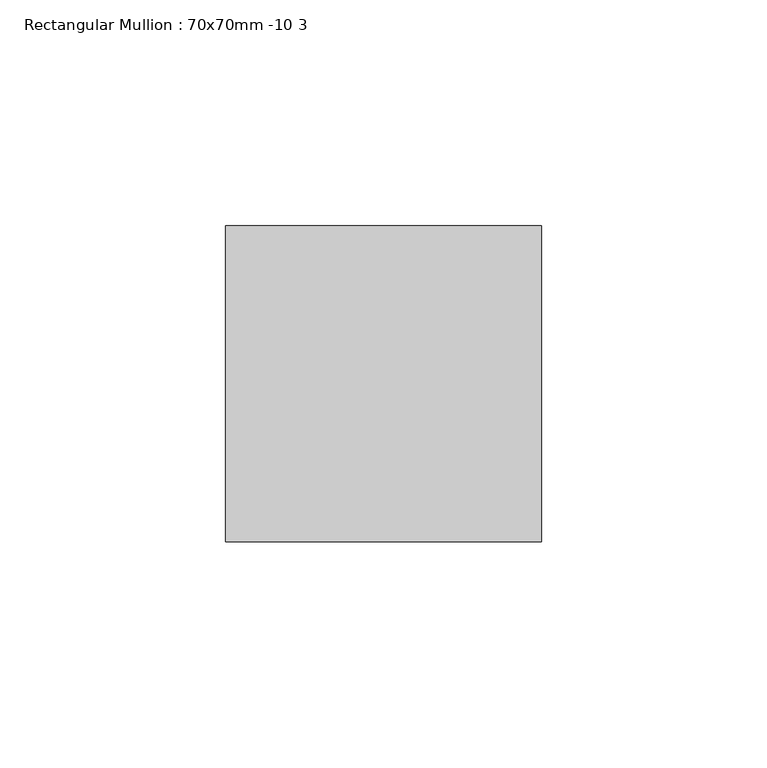
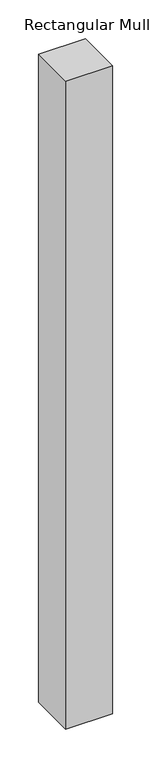
"""IFC4 building model written with IfcOpenShell, lengths in millimetres: member geometry, Rectangular Mullion : 70x70mm -10 3."""

from ifc_helpers import new_model, si_unit, frame, origin, place, context, project, spatial, polyline, outline, extrude, source, transform, mapped, element, save


def rectangular_mullion_70x70mm_10_3_cbd45b1e(model_context):
    return source(origin(), model_context, "Body", "SweptSolid", [
        extrude(outline(polyline([(35.0, 45.0), (35.0, -25.0), (-35.0, -25.0), (-35.0, 45.0), (35.0, 45.0)])), frame((0.0, 0.0, -1022.9178002), z_axis=(0.0, 0.0, 1.0), x_axis=(1.0, 0.0, 0.0)), (0.0, 0.0, 1.0), 1022.9178002),
    ])


if __name__ == "__main__":
    model = new_model("IFC4")
    model_context = context("Model", 3, world=origin())
    ifc_project = project(units=[si_unit("LENGTHUNIT", "METRE", prefix="MILLI")], contexts=[model_context])
    site = spatial("IfcSite", under=ifc_project)
    building = spatial("IfcBuilding", under=site)
    placement = place(None, origin())
    rectangular_mullion_70x70mm_10_3_shape = rectangular_mullion_70x70mm_10_3_cbd45b1e(model_context)
    element("IfcMember", 1, ObjectType="Rectangular Mullion : 70x70mm -10 3", at=placement, inside=building, context=model_context, shape_type="MappedRepresentation", body=[
        mapped(rectangular_mullion_70x70mm_10_3_shape, transform((0.0, 0.0, 0.0), x_axis=(1.0, 0.0, 0.0), y_axis=(0.0, 1.0, 0.0), z_axis=(0.0, 0.0, 1.0))),
    ])
    save(model, "model.ifc")
